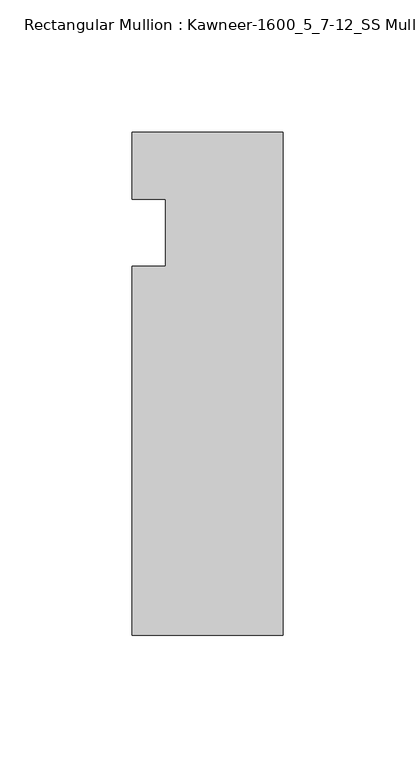
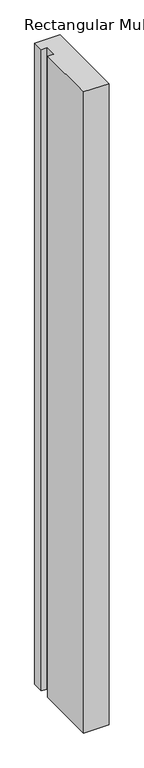
"""IFC4 building model written with IfcOpenShell, lengths in millimetres: member geometry, Rectangular Mullion : Kawneer-1600_5_7-12_SS Mullion_Jamb L."""

from ifc_helpers import new_model, si_unit, frame, origin, place, context, project, spatial, polyline, outline, extrude, source, transform, mapped, element, save


def rectangular_mullion_kawneer_1600_5_7_12_ss_mullion_jamb_l_451591e2(model_context):
    return source(origin(), model_context, "Body", "SweptSolid", [
        extrude(outline(polyline([(-57.15, -152.4), (-57.15, -12.7), (-44.4482296, -12.7), (-44.4482296, 12.7), (-57.15, 12.7), (-57.15, 38.1), (0.0, 38.1), (0.0, -152.4), (-57.15, -152.4)])), frame((0.0, 0.0, -1524.0), z_axis=(0.0, 0.0, 1.0), x_axis=(1.0, 0.0, 0.0)), (0.0, 0.0, 1.0), 1524.0),
    ])


if __name__ == "__main__":
    model = new_model("IFC4")
    model_context = context("Model", 3, world=origin())
    ifc_project = project(units=[si_unit("LENGTHUNIT", "METRE", prefix="MILLI")], contexts=[model_context])
    site = spatial("IfcSite", under=ifc_project)
    building = spatial("IfcBuilding", under=site)
    placement = place(None, origin())
    rectangular_mullion_kawneer_1600_5_7_12_ss_mullion_jamb_l_shape = rectangular_mullion_kawneer_1600_5_7_12_ss_mullion_jamb_l_451591e2(model_context)
    element("IfcMember", 1, ObjectType="Rectangular Mullion : Kawneer-1600_5_7-12_SS Mullion_Jamb L", at=placement, inside=building, context=model_context, shape_type="MappedRepresentation", body=[
        mapped(rectangular_mullion_kawneer_1600_5_7_12_ss_mullion_jamb_l_shape, transform((0.0, 0.0, 0.0), x_axis=(1.0, 0.0, 0.0), y_axis=(0.0, 1.0, 0.0), z_axis=(0.0, 0.0, 1.0))),
    ])
    save(model, "model.ifc")
